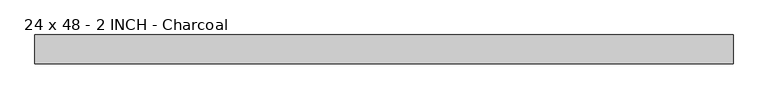
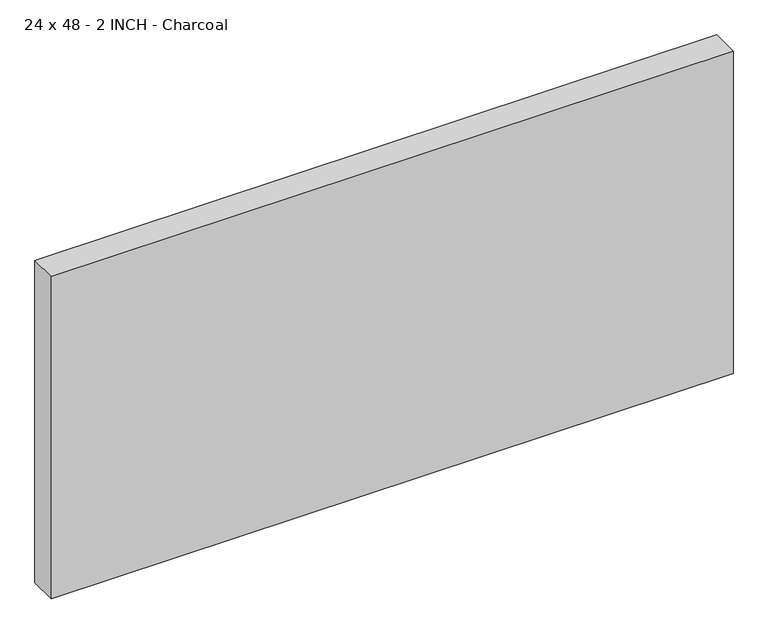
"""IFC4 building model written with IfcOpenShell, lengths in millimetres: proxy geometry, 24 x 48 - 2 INCH - Charcoal."""

from ifc_helpers import new_model, si_unit, origin, origin_with_axes, place, context, project, spatial, polyline, outline, extrude, source, transform, mapped, element, save


def proxy_24_x_48_2_inch_charcoal_998ab8e6(model_context):
    return source(origin(), model_context, "Body", "SweptSolid", [
        extrude(outline(polyline([(609.6, -50.8), (-609.6, -50.8), (-609.6, 0.0), (609.6, 0.0), (609.6, -50.8)])), origin_with_axes(), (0.0, 0.0, 1.0), 609.6),
    ])


if __name__ == "__main__":
    model = new_model("IFC4")
    model_context = context("Model", 3, world=origin())
    ifc_project = project(units=[si_unit("LENGTHUNIT", "METRE", prefix="MILLI")], contexts=[model_context])
    site = spatial("IfcSite", under=ifc_project)
    building = spatial("IfcBuilding", under=site)
    placement = place(None, origin())
    proxy_24_x_48_2_inch_charcoal_shape = proxy_24_x_48_2_inch_charcoal_998ab8e6(model_context)
    element("IfcBuildingElementProxy", 1, Name="24 x 48 - 2 INCH - Charcoal", ObjectType="24 x 48 - 2 INCH - Charcoal", at=placement, inside=building, context=model_context, shape_type="MappedRepresentation", body=[
        mapped(proxy_24_x_48_2_inch_charcoal_shape, transform((0.0, 0.0, 0.0), x_axis=(1.0, 0.0, 0.0), y_axis=(0.0, 1.0, 0.0), z_axis=(0.0, 0.0, 1.0))),
    ])
    save(model, "model.ifc")
